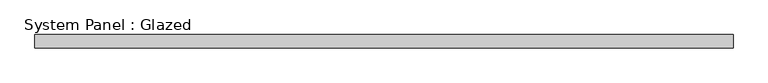
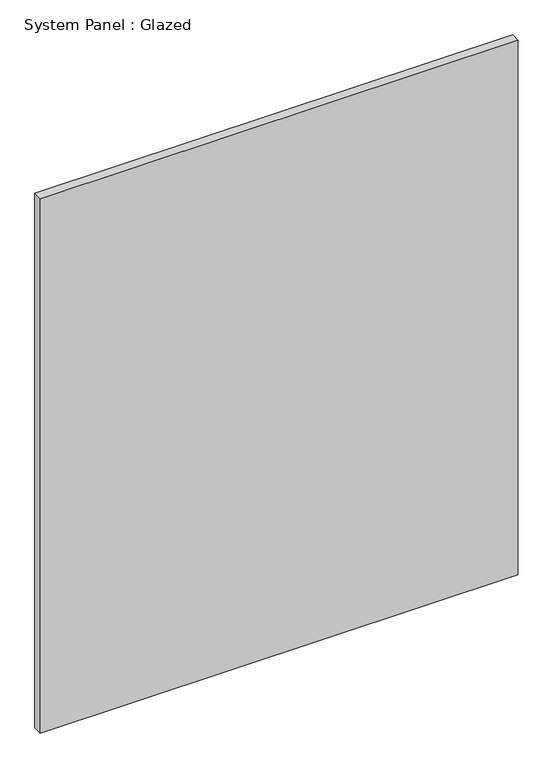
"""IFC4 building model written with IfcOpenShell, lengths in millimetres: plate geometry, System Panel : Glazed."""

from ifc_helpers import new_model, si_unit, origin, origin_with_axes, place, context, project, spatial, polyline, outline, extrude, source, transform, mapped, element, save


def system_panel_glazed_56bfbdb3(model_context):
    return source(origin(), model_context, "Body", "SweptSolid", [
        extrude(outline(polyline([(645.3125, 24.5), (-645.3125, 24.5), (-645.3125, 49.5), (645.3125, 49.5), (645.3125, 24.5)])), origin_with_axes(), (0.0, 0.0, 1.0), 1525.0),
    ])


if __name__ == "__main__":
    model = new_model("IFC4")
    model_context = context("Model", 3, world=origin())
    ifc_project = project(units=[si_unit("LENGTHUNIT", "METRE", prefix="MILLI")], contexts=[model_context])
    site = spatial("IfcSite", under=ifc_project)
    building = spatial("IfcBuilding", under=site)
    placement = place(None, origin())
    system_panel_glazed_shape = system_panel_glazed_56bfbdb3(model_context)
    element("IfcPlate", 1, ObjectType="System Panel : Glazed", at=placement, inside=building, context=model_context, shape_type="MappedRepresentation", body=[
        mapped(system_panel_glazed_shape, transform((0.0, 0.0, 0.0), x_axis=(1.0, 0.0, 0.0), y_axis=(0.0, 1.0, 0.0), z_axis=(0.0, 0.0, 1.0))),
    ])
    save(model, "model.ifc")
